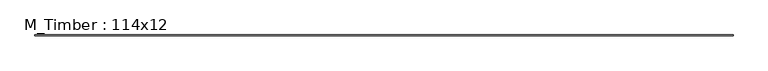
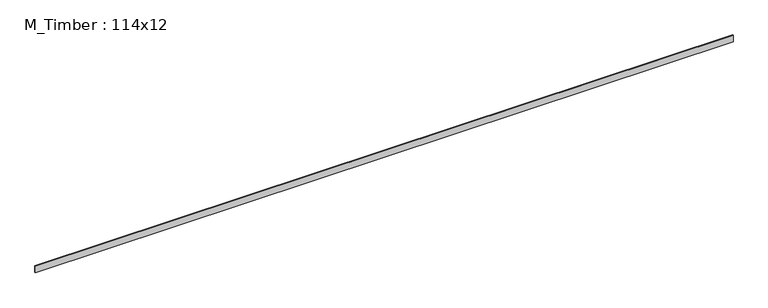
"""IFC4 building model written with IfcOpenShell, lengths in millimetres: beam geometry, M_Timber : 114x12."""

from ifc_helpers import new_model, si_unit, frame, origin, place, context, project, spatial, polyline, outline, extrude, source, transform, mapped, element, save


def m_timber_114x12_c1c0a047(model_context):
    return source(origin(), model_context, "Body", "SweptSolid", [
        extrude(outline(polyline([(5924.7561026, 6.0), (5924.7561026, -6.0), (-5924.7561026, -6.0), (-5924.7561026, 6.0), (5924.7561026, 6.0)])), frame((0.0, 0.0, -57.0), z_axis=(0.0, 0.0, 1.0), x_axis=(1.0, 0.0, 0.0)), (0.0, 0.0, 1.0), 114.0),
    ])


if __name__ == "__main__":
    model = new_model("IFC4")
    model_context = context("Model", 3, world=origin())
    ifc_project = project(units=[si_unit("LENGTHUNIT", "METRE", prefix="MILLI")], contexts=[model_context])
    site = spatial("IfcSite", under=ifc_project)
    building = spatial("IfcBuilding", under=site)
    placement = place(None, origin())
    m_timber_114x12_shape = m_timber_114x12_c1c0a047(model_context)
    element("IfcBeam", 1, ObjectType="M_Timber : 114x12", at=placement, inside=building, context=model_context, shape_type="MappedRepresentation", body=[
        mapped(m_timber_114x12_shape, transform((0.0, 0.0, 0.0), x_axis=(1.0, 0.0, 0.0), y_axis=(0.0, 1.0, 0.0), z_axis=(0.0, 0.0, 1.0))),
    ])
    save(model, "model.ifc")
